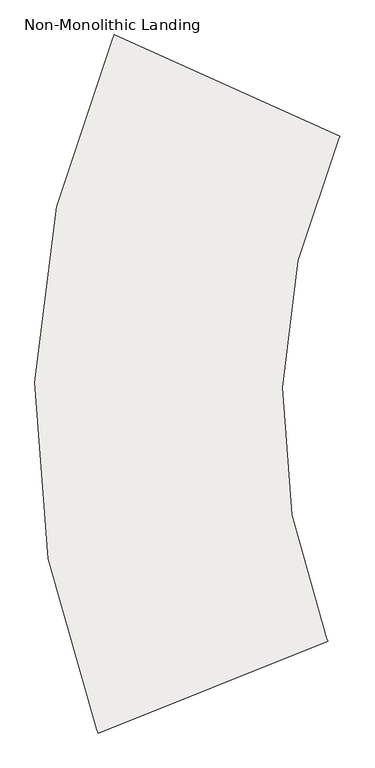
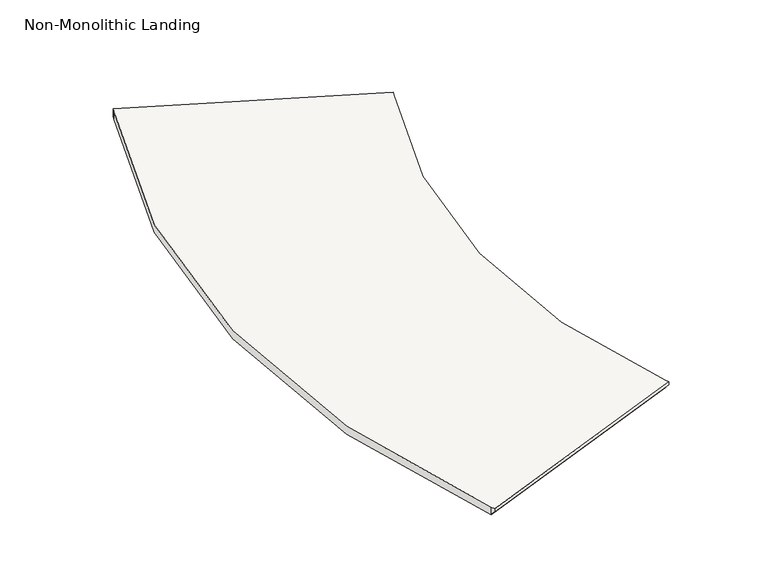
"""IFC4 building model written with IfcOpenShell, lengths in millimetres: slab geometry, Non-Monolithic Landing."""

from ifc_helpers import new_model, si_unit, frame, origin, place, context, project, spatial, polyline, circle_curve, ellipse_curve, source, transform, mapped, element, save
from ifc_brep_helpers import plane_surface, cylinder_surface, revolved_surface, advanced_brep


def non_monolithic_landing_ff194a72(model_context):
    return source(origin(), model_context, "Body", "AdvancedBrep", [
        advanced_brep(
        [(49308.5625184, -1445.7748638, -3520.9655172), (49308.5625184, -1445.7748638, -3540.0155172), (49299.2153239, -1422.1571462, -3565.4155172), (49299.2153239, -1422.1571462, -3520.9655172), (47893.3115603, -2011.142643, -3540.0155172), (47893.3115603, -2011.142643, -3520.9655172), (47883.943365, -1987.5333149, -3520.9655172), (47883.943365, -1987.5333149, -3565.4155172), (49373.1168709, 1646.426476, -3520.9655172), (49383.5901535, 1669.5668515, -3520.9655172), (47993.1471603, 2293.5165385, -3520.9655172), (47982.69451, 2270.3669044, -3520.9655172), (49299.2153239, -1422.1571462, -3571.7655172), (47883.943365, -1987.5333149, -3571.7655172), (47982.69451, 2270.3669044, -3571.7655172), (47993.1471603, 2293.5165385, -3571.7655172), (49383.5901535, 1669.5668515, -3571.7655172), (49373.1168709, 1646.426476, -3571.7655172)],
        [
            (0, 1),
            (1, 2, ellipse_curve(frame((52988.2150093, 24.1813621, -3540.0155172), z_axis=(0.26231981005129196, -0.656649310709039, -0.7071067811865464), x_axis=(-0.26231981005129107, 0.6566493107090366, -0.7071067811865486)), 5603.6798195, 3962.4)),
            (2, 3),
            (3, 0, circle_curve(frame((52988.2150093, 24.1813621, -3520.9655172), z_axis=(0.0, 0.0, 1.0), x_axis=(0.96990444762911, -0.24348585681569104, 0.0)), 3962.4)),
            (4, 5),
            (5, 6, circle_curve(frame((52988.2150093, 24.1813621, -3520.9655172), z_axis=(0.0, 0.0, -1.0), x_axis=(0.96990444762911, -0.24348585681569104, 0.0)), 5486.4)),
            (6, 7),
            (7, 4, ellipse_curve(frame((52988.2150093, 24.1813621, -3540.0155172), z_axis=(-0.26231981005129196, 0.656649310709039, 0.7071067811865464), x_axis=(0.26231981005129107, -0.6566493107090366, 0.7071067811865486)), 7758.9412886, 5486.4)),
            (0, 5),
            (4, 1),
            (7, 2),
            (3, 8, circle_curve(frame((52988.2150093, 24.1813621, -3520.9655172), z_axis=(0.0, 0.0, -1.0), x_axis=(0.96990444762911, -0.24348585681569104, 0.0)), 3962.4)),
            (8, 9, circle_curve(frame((52988.2150093, 24.1813621, -3520.9655172), z_axis=(0.0, 0.0, -1.0), x_axis=(0.96990444762911, -0.24348585681569104, 0.0)), 3962.4)),
            (9, 10),
            (10, 11, circle_curve(frame((52988.2150093, 24.1813621, -3520.9655172), z_axis=(0.0, 0.0, 1.0), x_axis=(0.96990444762911, -0.24348585681569104, 0.0)), 5486.4)),
            (11, 6, circle_curve(frame((52988.2150093, 24.1813621, -3520.9655172), z_axis=(0.0, 0.0, 1.0), x_axis=(0.96990444762911, -0.24348585681569104, 0.0)), 5486.4)),
            (12, 13),
            (13, 14, circle_curve(frame((52988.2150093, 24.1813621, -3571.7655172), z_axis=(0.0, 0.0, -1.0), x_axis=(0.96990444762911, -0.24348585681569104, 0.0)), 5486.4)),
            (14, 15, circle_curve(frame((52988.2150093, 24.1813621, -3571.7655172), z_axis=(0.0, 0.0, -1.0), x_axis=(0.96990444762911, -0.24348585681569104, 0.0)), 5486.4)),
            (15, 16),
            (16, 17, circle_curve(frame((52988.2150093, 24.1813621, -3571.7655172), z_axis=(0.0, 0.0, 1.0), x_axis=(0.96990444762911, -0.24348585681569104, 0.0)), 3962.4)),
            (17, 12, circle_curve(frame((52988.2150093, 24.1813621, -3571.7655172), z_axis=(0.0, 0.0, 1.0), x_axis=(0.96990444762911, -0.24348585681569104, 0.0)), 3962.4)),
            (12, 2),
            (7, 13),
            (17, 8),
            (16, 9),
            (15, 10),
            (14, 11),
        ],
        [
            revolved_surface(polyline([(56831.36439258559, -940.6069969464942, -7502.415517166666), (56831.36439258559, -940.6069969464942, 422.3844827666662)]), (52988.2150093, 24.1813621, -3571.7655172), (0.0, 0.0, -1.0000000000000002)),
            cylinder_surface(frame((52988.2150093, 24.1813621, -3571.7655172), z_axis=(0.0, 0.0, 1.0000000000000002), x_axis=(0.96990444762911, -0.24348585681569104, 0.0)), 5486.4),
            plane_surface(frame((49308.5625184, -1445.7748638, -3520.9655172), z_axis=(0.37097623305367244, -0.9286423609276648, 0.0), x_axis=(-0.9286423609276648, -0.37097623305367244, 0.0))),
            plane_surface(frame((49308.5625184, -1445.7748638, -3540.0155172), z_axis=(0.26231981005129196, -0.656649310709039, -0.7071067811865464), x_axis=(-0.928642360927674, -0.3709762330536494, 0.0))),
            plane_surface(frame((47883.888764, -1987.555127, -3520.9655172), z_axis=(0.0, 0.0, 1.0000000000000002), x_axis=(0.9286423609276653, 0.37097623305367156, 0.0))),
            plane_surface(frame((47883.888764, -1987.555127, -3571.7655172), z_axis=(0.0, 0.0, -1.0000000000000002), x_axis=(-0.9286423609276653, -0.37097623305367156, 0.0))),
            plane_surface(frame((47883.943365, -1987.5333149, -3520.9655172), z_axis=(0.37097623305367156, -0.9286423609276653, 0.0), x_axis=(0.0, 0.0, -1.0))),
            revolved_surface(polyline([(56831.36439258559, -940.6069969464942, -3571.7655172), (56831.36439258559, -940.6069969464942, -3520.9655172)]), (52988.2150093, 24.1813621, -3571.7655172), (0.0, 0.0, -1.0000000000000002)),
            plane_surface(frame((49383.5901535, 1669.5668515, -3520.9655172), z_axis=(0.4094097299443882, 0.9123506305291093, 0.0), x_axis=(0.0, 0.0, -1.0))),
        ],
        [
            (0, [[1, 2, 3, 4]]),
            (1, [[5, 6, 7, 8]]),
            (2, [[-1, 9, -5, 10]]),
            (3, [[-2, -10, -8, 11]]),
            (4, [[12, 13, 14, 15, 16, -6, -9, -4]]),
            (5, [[17, 18, 19, 20, 21, 22]]),
            (6, [[-17, 23, -11, 24]]),
            (7, [[-12, -3, -23, -22, 25]]),
            (7, [[-13, -25, -21, 26]]),
            (8, [[-14, -26, -20, 27]]),
            (1, [[-15, -27, -19, 28]]),
            (1, [[-16, -28, -18, -24, -7]]),
        ],
    ),
    ])


if __name__ == "__main__":
    model = new_model("IFC4")
    model_context = context("Model", 3, world=origin())
    ifc_project = project(units=[si_unit("LENGTHUNIT", "METRE", prefix="MILLI")], contexts=[model_context])
    site = spatial("IfcSite", under=ifc_project)
    building = spatial("IfcBuilding", under=site)
    placement = place(None, origin())
    non_monolithic_landing_shape = non_monolithic_landing_ff194a72(model_context)
    element("IfcSlab", 1, ObjectType="Non-Monolithic Landing", at=placement, inside=building, context=model_context, shape_type="MappedRepresentation", body=[
        mapped(non_monolithic_landing_shape, transform((0.0, 0.0, 0.0), x_axis=(1.0, 0.0, 0.0), y_axis=(0.0, 1.0, 0.0), z_axis=(0.0, 0.0, 1.0))),
    ])
    save(model, "model.ifc")
